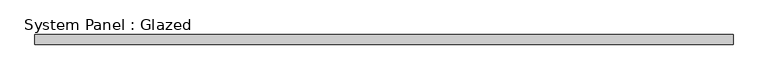
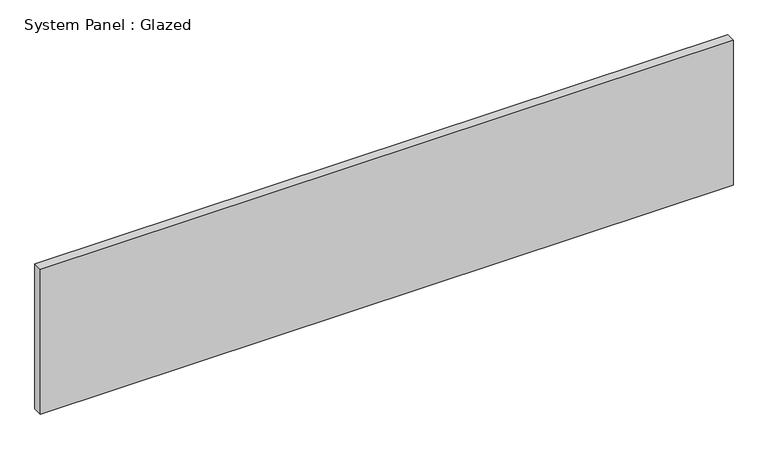
"""IFC4 building model written with IfcOpenShell, lengths in millimetres: plate geometry, System Panel : Glazed."""

from ifc_helpers import new_model, si_unit, origin, origin_with_axes, place, context, project, spatial, polyline, outline, extrude, source, transform, mapped, element, save


def system_panel_glazed_a6e5b871(model_context):
    return source(origin(), model_context, "Body", "SweptSolid", [
        extrude(outline(polyline([(905.0, 24.5), (-905.0, 24.5), (-905.0, 49.5), (905.0, 49.5), (905.0, 24.5)])), origin_with_axes(), (0.0, 0.0, 1.0), 400.0),
    ])


if __name__ == "__main__":
    model = new_model("IFC4")
    model_context = context("Model", 3, world=origin())
    ifc_project = project(units=[si_unit("LENGTHUNIT", "METRE", prefix="MILLI")], contexts=[model_context])
    site = spatial("IfcSite", under=ifc_project)
    building = spatial("IfcBuilding", under=site)
    placement = place(None, origin())
    system_panel_glazed_shape = system_panel_glazed_a6e5b871(model_context)
    element("IfcPlate", 1, ObjectType="System Panel : Glazed", at=placement, inside=building, context=model_context, shape_type="MappedRepresentation", body=[
        mapped(system_panel_glazed_shape, transform((0.0, 0.0, 0.0), x_axis=(1.0, 0.0, 0.0), y_axis=(0.0, 1.0, 0.0), z_axis=(0.0, 0.0, 1.0))),
    ])
    save(model, "model.ifc")
